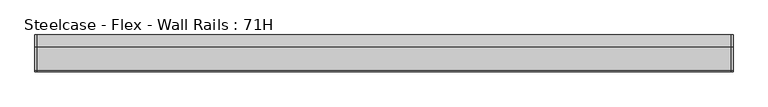
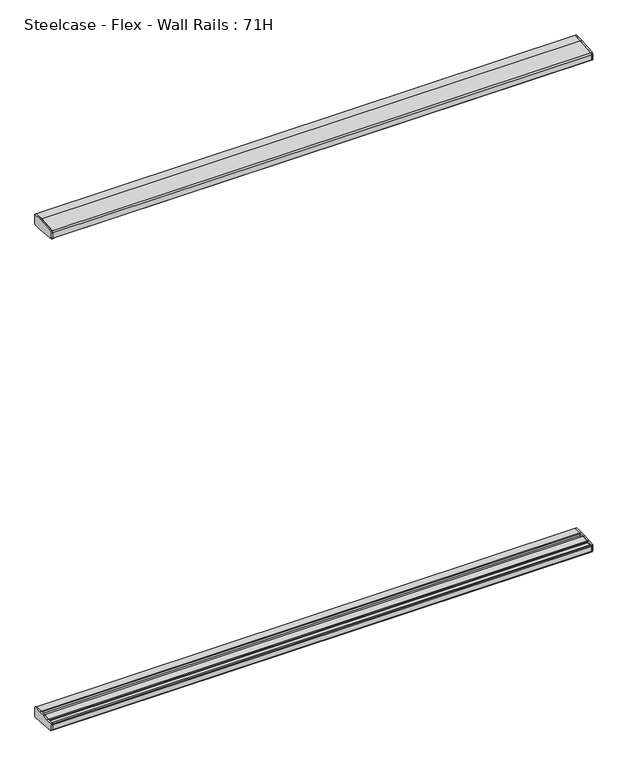
"""IFC4 building model written with IfcOpenShell, lengths in millimetres: furniture geometry, Steelcase - Flex - Wall Rails : 71H."""

from ifc_helpers import new_model, si_unit, frame, origin, place, context, project, spatial, polyline, outline, extrude, source, transform, mapped, element, save


def steelcase_flex_wall_rails_71h_22508b7b(model_context):
    return source(origin(), model_context, "Body", "SweptSolid", [
        extrude(outline(polyline([(-29.748384, 494.399958), (-2.0015978, 494.399958), (0.0, 492.39833), (0.0, 457.2), (-31.7483991, 457.2), (-95.5653908, 462.6914284), (-99.9999601, 467.5239814), (-99.9999601, 486.7480995), (-98.0172056, 488.9021347), (-73.1435844, 490.9657693), (-50.3978144, 493.0470375), (-29.748384, 494.399958)])), frame((1890.2945382, 0.0, 0.0), z_axis=(1.0, 0.0, 0.0), x_axis=(0.0, 1.0, 0.0)), (0.0, 0.0, 1.0), 4.9857422),
        extrude(outline(polyline([(-29.748384, 2278.9875964), (-50.3978144, 2280.3405169), (-73.1435844, 2282.4217851), (-98.0172056, 2284.4854198), (-99.9999601, 2286.639455), (-99.9999601, 2305.8635731), (-95.5653908, 2310.6961261), (-31.7483991, 2316.1875545), (0.0, 2316.1875545), (0.0, 2280.9892245), (-2.0015978, 2278.9875964), (-29.748384, 2278.9875964)])), frame((1890.2945382, 0.0, 0.0), z_axis=(1.0, 0.0, 0.0), x_axis=(0.0, 1.0, 0.0)), (0.0, 0.0, 1.0), 4.9857422),
        extrude(outline(polyline([(-29.748384, 494.399958), (-2.0015978, 494.399958), (0.0, 492.39833), (0.0, 457.2), (-31.7483991, 457.2), (-95.5653908, 462.6914284), (-99.9999601, 467.5239814), (-99.9999601, 486.7480995), (-98.0172056, 488.9021347), (-73.1435844, 490.9657693), (-50.3978144, 493.0470375), (-29.748384, 494.399958)])), frame((0.0, 0.0, 0.0), z_axis=(1.0, 0.0, 0.0), x_axis=(0.0, 1.0, 0.0)), (0.0, 0.0, 1.0), 4.9857422),
        extrude(outline(polyline([(-29.748384, 2278.9875964), (-50.3978144, 2280.3405169), (-73.1435844, 2282.4217851), (-98.0172056, 2284.4854198), (-99.9999601, 2286.639455), (-99.9999601, 2305.8635731), (-95.5653908, 2310.6961261), (-31.7483991, 2316.1875545), (0.0, 2316.1875545), (0.0, 2280.9892245), (-2.0015978, 2278.9875964), (-29.748384, 2278.9875964)])), frame((0.0, 0.0, 0.0), z_axis=(1.0, 0.0, 0.0), x_axis=(0.0, 1.0, 0.0)), (0.0, 0.0, 1.0), 4.9857422),
        extrude(outline(polyline([(0.0, 492.39833), (0.0, 457.2), (-31.7483991, 457.2), (-95.5653908, 462.6914284), (-99.9999606, 467.5239822), (-99.9999598, 486.7480995), (-98.0172056, 488.9021347), (-93.9826847, 489.2368579), (-91.9999743, 487.4118187), (-91.9999735, 484.9937772), (-75.1383227, 484.9937772), (-75.1383233, 488.7986526), (-73.1435844, 490.9657693), (-50.3978144, 493.0470375), (-48.4030258, 491.016882), (-48.4030258, 484.9937772), (-31.7499758, 484.9937772), (-31.7499758, 492.398336), (-29.748384, 494.399958), (-2.0015978, 494.399958), (0.0, 492.39833)])), frame((4.9857422, 0.0, 0.0), z_axis=(1.0, 0.0, 0.0), x_axis=(0.0, 1.0, 0.0)), (0.0, 0.0, 1.0), 1885.308796),
        extrude(outline(polyline([(0.0, 2280.9892245), (-2.0015978, 2278.9875964), (-29.748384, 2278.9875964), (-31.7499758, 2280.9892185), (-31.7499758, 2288.3937772), (-48.4030258, 2288.3937772), (-48.4030258, 2282.3706725), (-50.3978144, 2280.3405169), (-73.1435844, 2282.4217851), (-75.1383233, 2284.5889019), (-75.1383227, 2288.3937772), (-91.9999735, 2288.3937772), (-91.9999743, 2285.9757358), (-93.9826847, 2284.1506966), (-98.0172056, 2284.4854198), (-99.9999601, 2286.6394553), (-99.9999601, 2305.8635728), (-95.5653908, 2310.6961261), (-31.7483991, 2316.1875545), (0.0, 2316.1875545), (0.0, 2280.9892245)])), frame((4.9857422, 0.0, 0.0), z_axis=(1.0, 0.0, 0.0), x_axis=(0.0, 1.0, 0.0)), (0.0, 0.0, 1.0), 1885.308796),
    ])


if __name__ == "__main__":
    model = new_model("IFC4")
    model_context = context("Model", 3, world=origin())
    ifc_project = project(units=[si_unit("LENGTHUNIT", "METRE", prefix="MILLI")], contexts=[model_context])
    site = spatial("IfcSite", under=ifc_project)
    building = spatial("IfcBuilding", under=site)
    placement = place(None, origin())
    steelcase_flex_wall_rails_71h_shape = steelcase_flex_wall_rails_71h_22508b7b(model_context)
    element("IfcFurniture", 1, ObjectType="Steelcase - Flex - Wall Rails : 71H", at=placement, inside=building, context=model_context, shape_type="MappedRepresentation", body=[
        mapped(steelcase_flex_wall_rails_71h_shape, transform((0.0, 0.0, 0.0), x_axis=(1.0, 0.0, 0.0), y_axis=(0.0, 1.0, 0.0), z_axis=(0.0, 0.0, 1.0))),
    ])
    save(model, "model.ifc")
